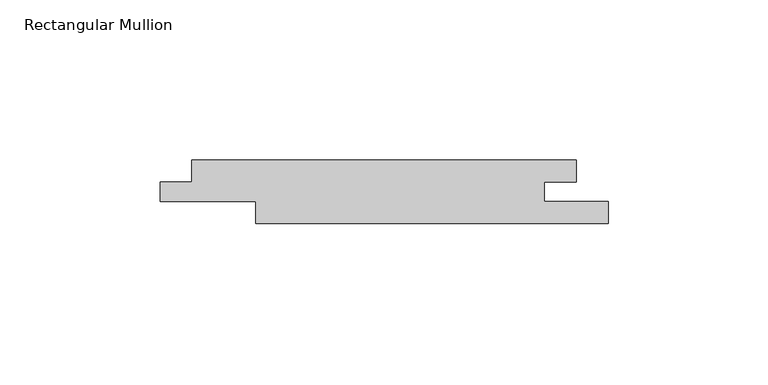
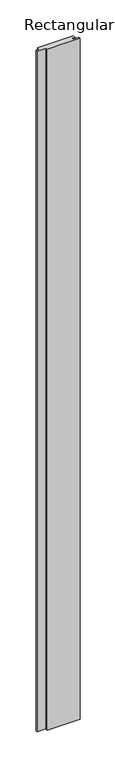
"""IFC4 building model written with IfcOpenShell, lengths in millimetres: member geometry, Rectangular Mullion."""

from ifc_helpers import new_model, si_unit, frame, origin, place, context, project, spatial, polyline, outline, extrude, source, transform, mapped, element, save


def rectangular_mullion_e056424d(model_context):
    return source(origin(), model_context, "Body", "SweptSolid", [
        extrude(outline(polyline([(-140.0, -7.0), (-130.0288065, -7.0), (-130.0288065, 0.0), (-10.0, 0.0), (-10.0, -7.0), (-20.0, -7.0), (-20.0, -13.0), (0.0, -13.0), (0.0, -20.0), (-110.0288065, -20.0), (-110.0288065, -13.0), (-140.0, -13.0), (-140.0, -7.0)])), frame((0.0, 0.0, -2400.0), z_axis=(0.0, 0.0, 1.0), x_axis=(1.0, 0.0, 0.0)), (0.0, 0.0, 1.0), 2400.0),
    ])


if __name__ == "__main__":
    model = new_model("IFC4")
    model_context = context("Model", 3, world=origin())
    ifc_project = project(units=[si_unit("LENGTHUNIT", "METRE", prefix="MILLI")], contexts=[model_context])
    site = spatial("IfcSite", under=ifc_project)
    building = spatial("IfcBuilding", under=site)
    placement = place(None, origin())
    rectangular_mullion_shape = rectangular_mullion_e056424d(model_context)
    element("IfcMember", 1, ObjectType="Rectangular Mullion", at=placement, inside=building, context=model_context, shape_type="MappedRepresentation", body=[
        mapped(rectangular_mullion_shape, transform((0.0, 0.0, 0.0), x_axis=(1.0, 0.0, 0.0), y_axis=(0.0, 1.0, 0.0), z_axis=(0.0, 0.0, 1.0))),
    ])
    save(model, "model.ifc")
